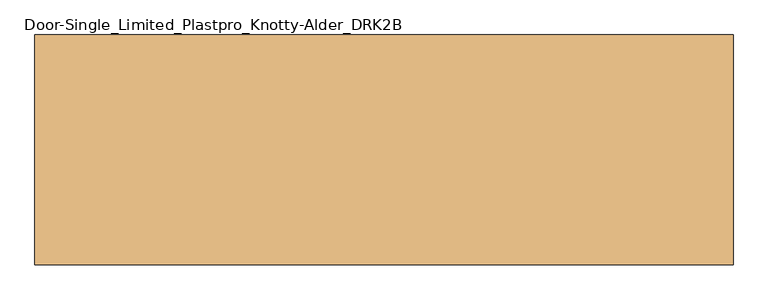
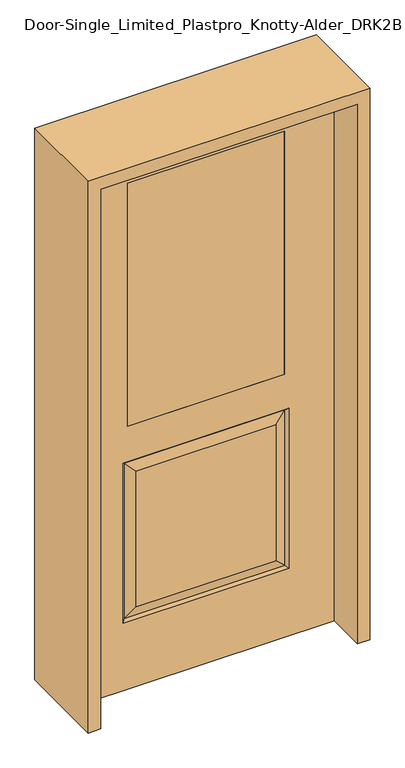
"""IFC4 building model written with IfcOpenShell, lengths in millimetres: door geometry, Door-Single_Limited_Plastpro_Knotty-Alder_DRK2B."""

from ifc_helpers import new_model, si_unit, frame, origin, place, context, project, spatial, polyline, outline, extrude, faceted_brep, source, transform, mapped, element, save


def door_single_limited_plastpro_knotty_alder_drk2b_025096c8(model_context):
    return source(origin(), model_context, "Body", "SolidModel", [
        extrude(outline(polyline([(279.4, -22.225), (-279.4, -22.225), (-279.4, 22.225), (279.4, 22.225), (279.4, -22.225)])), frame((0.0, 0.0, 990.6), z_axis=(0.0, 0.0, 1.0), x_axis=(1.0, 0.0, 0.0)), (0.0, 0.0, 1.0), 914.4),
        faceted_brep([(457.2, 22.225, 0.0), (457.2, -22.225, 0.0), (-457.2, -22.225, 0.0), (-457.2, 22.225, 0.0), (457.2, 22.225, 2032.0), (457.2, -22.225, 2032.0), (-249.2375, -22.225, 300.0375), (249.2375, -22.225, 300.0375), (249.2375, -22.225, 811.2125), (-249.2375, -22.225, 811.2125), (-457.2, -22.225, 2032.0), (295.275, -22.225, 254.0), (-295.275, -22.225, 254.0), (-295.275, -22.225, 857.25), (295.275, -22.225, 857.25), (-279.4, -22.225, 1905.0), (279.4, -22.225, 1905.0), (279.4, -22.225, 990.6), (-279.4, -22.225, 990.6), (-457.2, 22.225, 2032.0), (-249.2375, 22.225, 811.2125), (249.2375, 22.225, 811.2125), (249.2375, 22.225, 300.0375), (-249.2375, 22.225, 300.0375), (295.275, 22.225, 857.25), (-295.275, 22.225, 857.25), (-295.275, 22.225, 254.0), (295.275, 22.225, 254.0), (279.4, 22.225, 1905.0), (-279.4, 22.225, 1905.0), (-279.4, 22.225, 990.6), (279.4, 22.225, 990.6), (286.2947439, 13.2447439, 848.2697439), (-286.2947439, 13.2447439, 848.2697439), (-286.2947439, 13.2447439, 262.9802561), (286.2947439, 13.2447439, 262.9802561), (286.2947439, -13.2447439, 262.9802561), (-286.2947439, -13.2447439, 262.9802561), (-286.2947439, -13.2447439, 848.2697439), (286.2947439, -13.2447439, 848.2697439)], [[[0, 1, 2, 3]], [[4, 5, 1, 0]], [[6, 7, 8, 9]], [[5, 10, 2, 1], [11, 12, 13, 14], [15, 16, 17, 18]], [[10, 19, 3, 2]], [[20, 21, 22, 23]], [[19, 4, 0, 3], [24, 25, 26, 27], [28, 29, 30, 31]], [[32, 33, 25, 24]], [[25, 33, 34, 26]], [[26, 34, 35, 27]], [[32, 24, 27, 35]], [[33, 32, 21, 20]], [[21, 32, 35, 22]], [[34, 23, 22, 35]], [[33, 20, 23, 34]], [[29, 15, 18, 30]], [[30, 18, 17, 31]], [[16, 28, 31, 17]], [[36, 37, 12, 11]], [[12, 37, 38, 13]], [[13, 38, 39, 14]], [[36, 11, 14, 39]], [[37, 36, 7, 6]], [[7, 36, 39, 8]], [[38, 9, 8, 39]], [[37, 6, 9, 38]], [[4, 19, 10, 5]], [[15, 29, 28, 16]]]),
        extrude(outline(polyline([(2076.45, -501.65), (0.0, -501.65), (0.0, -457.2), (2032.0, -457.2), (2032.0, 457.2), (0.0, 457.2), (0.0, 501.65), (2076.45, 501.65), (2076.45, -501.65)])), frame((0.0, -165.1, 0.0), z_axis=(0.0, 1.0, 0.0), x_axis=(0.0, 0.0, 1.0)), (0.0, 0.0, 1.0), 330.2),
    ])


if __name__ == "__main__":
    model = new_model("IFC4")
    model_context = context("Model", 3, world=origin())
    ifc_project = project(units=[si_unit("LENGTHUNIT", "METRE", prefix="MILLI")], contexts=[model_context])
    site = spatial("IfcSite", under=ifc_project)
    building = spatial("IfcBuilding", under=site)
    placement = place(None, origin())
    door_single_limited_plastpro_knotty_alder_drk2b_shape = door_single_limited_plastpro_knotty_alder_drk2b_025096c8(model_context)
    element("IfcDoor", 1, ObjectType="Door-Single_Limited_Plastpro_Knotty-Alder_DRK2B", at=placement, inside=building, context=model_context, shape_type="MappedRepresentation", body=[
        mapped(door_single_limited_plastpro_knotty_alder_drk2b_shape, transform((0.0, 0.0, 0.0), x_axis=(1.0, 0.0, 0.0), y_axis=(0.0, 1.0, 0.0), z_axis=(0.0, 0.0, 1.0))),
    ])
    save(model, "model.ifc")
